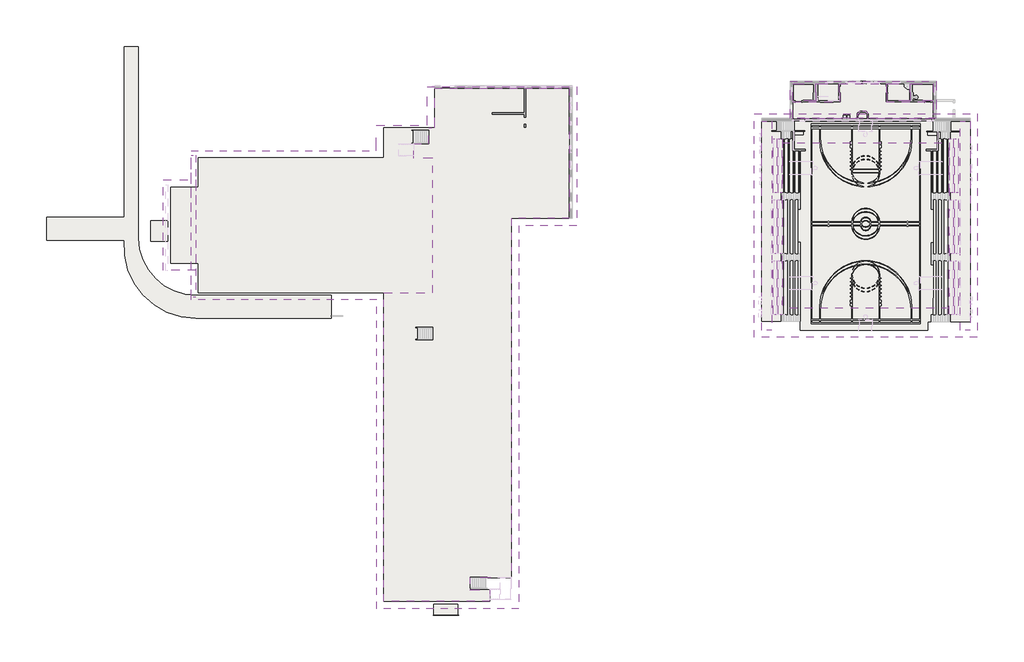
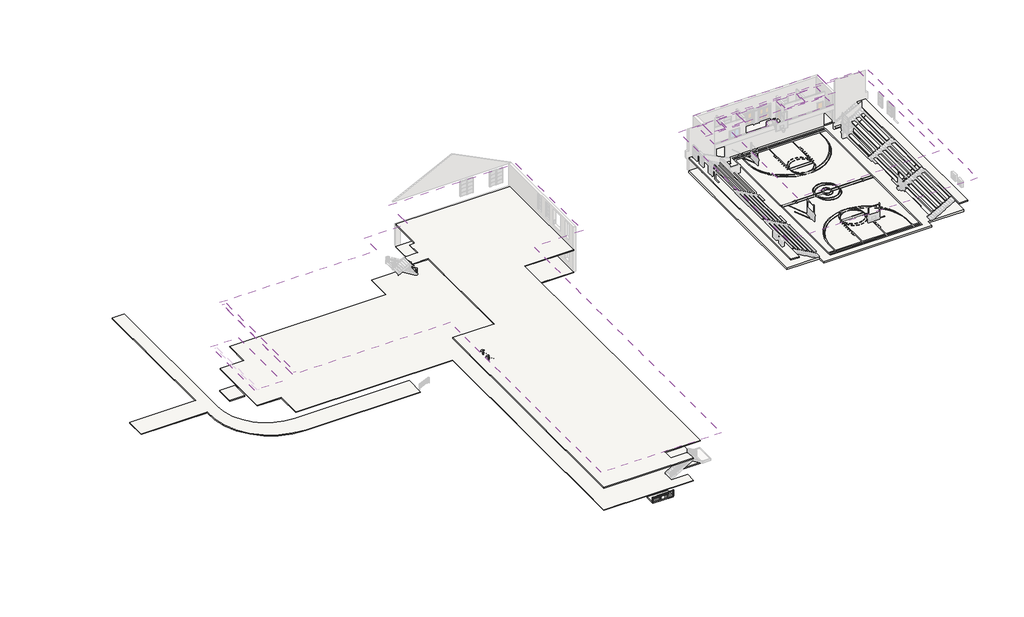
# One storey, part 33 of 38: 44 slabs, 6 roofs, 5 coverings, 1 railing.
"""IFC4 building model written with IfcOpenShell, lengths in millimetres."""

from ifc_helpers import new_model, si_unit, point, frame, frame_2d, origin, origin_with_axes, place, context, project, spatial, polyline, circle_curve, trimmed, segment, composite_curve, outline, extrude, faceted_brep, element, save

model = new_model("IFC4")

# Units and contexts
model_context = context("Model", 3, world=origin())
ifc_project = project(units=[si_unit("LENGTHUNIT", "METRE", prefix="MILLI")], contexts=[model_context])

# Site, building, storey
site = spatial("IfcSite", under=ifc_project)
building = spatial("IfcBuilding", under=site)
storey = spatial("IfcBuildingStorey", under=building, Elevation=0.0)

# Coverings
placement = place(None, origin())
element("IfcCovering", 1, ObjectType="2' x 2' ACT System", at=placement, inside=storey, context=model_context, shape_type="SweptSolid", body=[
    extrude(outline(polyline([(-268837.9698094, 202255.9862425), (-268837.9698094, 204474.39843), (-265882.1385508, 204474.39843), (-265882.1385508, 202255.9862425), (-268837.9698094, 202255.9862425)])), frame((0.0, 0.0, 2844.8), z_axis=(0.0, 0.0, 1.0), x_axis=(1.0, 0.0, 0.0)), (0.0, 0.0, 1.0), 57.15),
])
element("IfcCovering", 2, ObjectType="2' x 2' ACT System", at=placement, inside=storey, context=model_context, shape_type="SweptSolid", body=[
    extrude(outline(polyline([(-265739.2635508, 202255.9862425), (-265739.2635508, 204474.39843), (-262787.3326219, 204474.39843), (-262787.3326219, 202255.9862425), (-265739.2635508, 202255.9862425)])), frame((0.0, 0.0, 2844.8), z_axis=(0.0, 0.0, 1.0), x_axis=(1.0, 0.0, 0.0)), (0.0, 0.0, 1.0), 57.15),
])
element("IfcCovering", 3, ObjectType="2' x 2' ACT System", at=placement, inside=storey, context=model_context, shape_type="SweptSolid", body=[
    extrude(outline(polyline([(-278150.151068, 202255.9862425), (-278150.151068, 204474.39843), (-275194.3198094, 204474.39843), (-275194.3198094, 202255.9862425), (-278150.151068, 202255.9862425)])), frame((0.0, 0.0, 2844.8), z_axis=(0.0, 0.0, 1.0), x_axis=(1.0, 0.0, 0.0)), (0.0, 0.0, 1.0), 57.15),
])
element("IfcCovering", 4, ObjectType="2' x 2' ACT System", at=placement, inside=storey, context=model_context, shape_type="SweptSolid", body=[
    extrude(outline(polyline([(-281244.9569969, 202255.9862425), (-281244.9569969, 204474.39843), (-278293.026068, 204474.39843), (-278293.026068, 202255.9862425), (-281244.9569969, 202255.9862425)])), frame((0.0, 0.0, 2844.8), z_axis=(0.0, 0.0, 1.0), x_axis=(1.0, 0.0, 0.0)), (0.0, 0.0, 1.0), 57.15),
])
element("IfcCovering", 5, ObjectType="2' x 2' ACT System", at=placement, inside=storey, context=model_context, shape_type="SweptSolid", body=[
    extrude(outline(polyline([(-272781.226068, 199887.4362425), (-281244.9569969, 199887.4362425), (-281244.9569969, 202113.1112425), (-275051.4448094, 202113.1112425), (-275051.4448094, 204474.39843), (-268980.8448094, 204474.39843), (-268980.8448094, 202113.1112425), (-262787.3326219, 202113.1112425), (-262787.3326219, 199887.4362425), (-271330.0962129, 199887.4362425), (-271330.0962129, 200575.3411117), (-271641.3510152, 200886.5959139), (-272487.9317779, 200886.5959139), (-272781.226068, 200593.3016239), (-272781.226068, 199887.4362425)])), frame((0.0, 0.0, 2743.2), z_axis=(0.0, 0.0, 1.0), x_axis=(1.0, 0.0, 0.0)), (0.0, 0.0, 1.0), 57.15),
])

# Railing
element("IfcRailing", 6, ObjectType="Handrail - Pipe", at=placement, inside=storey, context=model_context, shape_type="SweptSolid", body=[
    extrude(outline(composite_curve([segment(trimmed(circle_curve(frame_2d((134682.5600981, 895.35)), 19.05), [point((134663.5100981, 895.35))], [point((134701.6100981, 895.35))], False, "CARTESIAN"), True, "CONTINUOUS"), segment(trimmed(circle_curve(frame_2d((134682.5600981, 895.35)), 19.05), [point((134701.6100981, 895.35))], [point((134663.5100981, 895.35))], False, "CARTESIAN"), True, "CONTINUOUS")], self_intersect=False)), frame((-328523.7418555, 0.0, 0.0), z_axis=(1.0, 0.0, 0.0), x_axis=(0.0, 1.0, 0.0)), (0.0, 0.0, 1.0), 3352.8),
    extrude(outline(composite_curve([segment(trimmed(circle_curve(frame_2d((134682.5600981, 749.3)), 12.7), [point((134695.2600981, 749.3))], [point((134669.8600981, 749.3))], False, "CARTESIAN"), True, "CONTINUOUS"), segment(trimmed(circle_curve(frame_2d((134682.5600981, 749.3)), 12.7), [point((134669.8600981, 749.3))], [point((134695.2600981, 749.3))], False, "CARTESIAN"), True, "CONTINUOUS")], self_intersect=False)), frame((-328523.7418555, 0.0, 0.0), z_axis=(1.0, 0.0, 0.0), x_axis=(0.0, 1.0, 0.0)), (0.0, 0.0, 1.0), 3352.8),
    extrude(outline(composite_curve([segment(trimmed(circle_curve(frame_2d((134682.5600981, 596.9)), 12.7), [point((134695.2600981, 596.9))], [point((134669.8600981, 596.9))], False, "CARTESIAN"), True, "CONTINUOUS"), segment(trimmed(circle_curve(frame_2d((134682.5600981, 596.9)), 12.7), [point((134669.8600981, 596.9))], [point((134695.2600981, 596.9))], False, "CARTESIAN"), True, "CONTINUOUS")], self_intersect=False)), frame((-328523.7418555, 0.0, 0.0), z_axis=(1.0, 0.0, 0.0), x_axis=(0.0, 1.0, 0.0)), (0.0, 0.0, 1.0), 3352.8),
    extrude(outline(composite_curve([segment(trimmed(circle_curve(frame_2d((134682.5600981, 444.5)), 12.7), [point((134695.2600981, 444.5))], [point((134669.8600981, 444.5))], False, "CARTESIAN"), True, "CONTINUOUS"), segment(trimmed(circle_curve(frame_2d((134682.5600981, 444.5)), 12.7), [point((134669.8600981, 444.5))], [point((134695.2600981, 444.5))], False, "CARTESIAN"), True, "CONTINUOUS")], self_intersect=False)), frame((-328523.7418555, 0.0, 0.0), z_axis=(1.0, 0.0, 0.0), x_axis=(0.0, 1.0, 0.0)), (0.0, 0.0, 1.0), 3352.8),
    extrude(outline(composite_curve([segment(trimmed(circle_curve(frame_2d((134682.5600981, 292.1)), 12.7), [point((134695.2600981, 292.1))], [point((134669.8600981, 292.1))], False, "CARTESIAN"), True, "CONTINUOUS"), segment(trimmed(circle_curve(frame_2d((134682.5600981, 292.1)), 12.7), [point((134669.8600981, 292.1))], [point((134695.2600981, 292.1))], False, "CARTESIAN"), True, "CONTINUOUS")], self_intersect=False)), frame((-328523.7418555, 0.0, 0.0), z_axis=(1.0, 0.0, 0.0), x_axis=(0.0, 1.0, 0.0)), (0.0, 0.0, 1.0), 3352.8),
    extrude(outline(composite_curve([segment(trimmed(circle_curve(frame_2d((134682.5600981, 139.7)), 12.7), [point((134695.2600981, 139.7))], [point((134669.8600981, 139.7))], False, "CARTESIAN"), True, "CONTINUOUS"), segment(trimmed(circle_curve(frame_2d((134682.5600981, 139.7)), 12.7), [point((134669.8600981, 139.7))], [point((134695.2600981, 139.7))], False, "CARTESIAN"), True, "CONTINUOUS")], self_intersect=False)), frame((-328523.7418555, 0.0, 0.0), z_axis=(1.0, 0.0, 0.0), x_axis=(0.0, 1.0, 0.0)), (0.0, 0.0, 1.0), 3352.8),
    extrude(outline(composite_curve([segment(trimmed(circle_curve(frame_2d((-326085.3418555, 134682.5600981)), 12.7), [point((-326085.3418555, 134695.2600981))], [point((-326085.3418555, 134669.8600981))], False, "CARTESIAN"), True, "CONTINUOUS"), segment(trimmed(circle_curve(frame_2d((-326085.3418555, 134682.5600981)), 12.7), [point((-326085.3418555, 134669.8600981))], [point((-326085.3418555, 134695.2600981))], False, "CARTESIAN"), True, "CONTINUOUS")], self_intersect=False)), origin_with_axes(), (0.0, 0.0, 1.0), 876.3),
    extrude(outline(composite_curve([segment(trimmed(circle_curve(frame_2d((-327304.5418555, 134682.5600981)), 12.7), [point((-327304.5418555, 134695.2600981))], [point((-327304.5418555, 134669.8600981))], False, "CARTESIAN"), True, "CONTINUOUS"), segment(trimmed(circle_curve(frame_2d((-327304.5418555, 134682.5600981)), 12.7), [point((-327304.5418555, 134669.8600981))], [point((-327304.5418555, 134695.2600981))], False, "CARTESIAN"), True, "CONTINUOUS")], self_intersect=False)), origin_with_axes(), (0.0, 0.0, 1.0), 876.3),
    extrude(outline(composite_curve([segment(trimmed(circle_curve(frame_2d((-325183.6418555, 134682.5600981)), 12.7), [point((-325183.6418555, 134695.2600981))], [point((-325183.6418555, 134669.8600981))], False, "CARTESIAN"), True, "CONTINUOUS"), segment(trimmed(circle_curve(frame_2d((-325183.6418555, 134682.5600981)), 12.7), [point((-325183.6418555, 134669.8600981))], [point((-325183.6418555, 134695.2600981))], False, "CARTESIAN"), True, "CONTINUOUS")], self_intersect=False)), origin_with_axes(), (0.0, 0.0, 1.0), 876.3),
    extrude(outline(composite_curve([segment(trimmed(circle_curve(frame_2d((-328511.0418555, 134682.5600981)), 12.7), [point((-328511.0418555, 134695.2600981))], [point((-328511.0418555, 134669.8600981))], False, "CARTESIAN"), True, "CONTINUOUS"), segment(trimmed(circle_curve(frame_2d((-328511.0418555, 134682.5600981)), 12.7), [point((-328511.0418555, 134669.8600981))], [point((-328511.0418555, 134695.2600981))], False, "CARTESIAN"), True, "CONTINUOUS")], self_intersect=False)), origin_with_axes(), (0.0, 0.0, 1.0), 876.3),
])

# Roofs
element("IfcRoof", 7, ObjectType="5\" Concrete", at=placement, inside=storey, context=model_context, shape_type="SweptSolid", body=[
    extrude(outline(polyline([(-281605.5576219, 204834.999055), (-262426.7319969, 204834.999055), (-262426.7319969, 199958.199055), (-281605.5576219, 199958.199055), (-281605.5576219, 204834.999055)])), frame((0.0, 0.0, 4572.0), z_axis=(0.0, 0.0, 1.0), x_axis=(1.0, 0.0, 0.0)), (0.0, 0.0, 1.0), 127.0),
])
element("IfcRoof", 8, ObjectType="Gym Roof", at=placement, inside=storey, context=model_context, shape_type="Brep", body=[
    faceted_brep([(-286322.749102, 171162.5291923, 6102.35), (-286322.749102, 200564.7687991, 6102.35), (-282621.1173133, 196733.986555, 9431.3160208), (-282627.8257998, 196733.986555, 9425.2829184), (-282627.8257998, 175040.8486643, 9425.2829184), (-257007.3322373, 200564.7687991, 6102.35), (-260731.5557863, 196733.986555, 9431.3160208), (-257007.3322373, 171162.5291923, 6102.35), (-260703.5379873, 175018.6600685, 9406.2717936), (-260703.5379873, 196733.986555, 9406.2717936), (-282627.8257998, 174996.3416923, 9387.1494733), (-260703.5379873, 174996.3416923, 9387.1494733), (-286333.0507998, 200567.799055, 6537.1747936), (-286333.0507998, 171162.5291923, 6537.1747936), (-282627.8257998, 175051.6616831, 9869.3722753), (-282627.8257998, 196733.2982321, 9869.3722753), (-256998.3129873, 200567.799055, 6537.1747936), (-282627.8257998, 196733.986555, 9868.7741197), (-260725.4825013, 196733.986555, 9868.7741197), (-256998.3129873, 171162.5291923, 6537.1747936), (-260703.5379873, 196733.986555, 9849.1586104), (-260703.5379873, 175028.0695578, 9849.1586104), (-260703.5379873, 174996.3416923, 9821.9742669), (-282627.8257998, 174996.3416923, 9821.9742669), (-286333.0507998, 171162.5291923, 6102.35), (-256998.3129873, 171162.5291923, 6102.35), (-256998.3129873, 200567.799055, 6102.35), (-286333.0507998, 200567.799055, 6102.35)], [[[0, 1, 2, 3, 4]], [[1, 5, 6, 2]], [[5, 7, 8, 9, 6]], [[7, 0, 4, 10, 11, 8]], [[12, 13, 14, 15]], [[16, 12, 15, 17, 18]], [[19, 16, 18, 20, 21]], [[13, 19, 21, 22, 23, 14]], [[19, 13, 24, 0, 7, 25]], [[16, 19, 25, 26]], [[12, 16, 26, 27]], [[13, 12, 27, 24]], [[1, 0, 24, 27, 26, 25, 7, 5]], [[17, 3, 2, 6, 9, 20, 18]], [[20, 9, 8, 11, 22, 21]], [[22, 11, 10, 23]], [[3, 17, 15, 14, 23, 10, 4]]]),
])
element("IfcRoof", 9, ObjectType="Gym Roof Flat", at=placement, inside=storey, context=model_context, shape_type="SweptSolid", body=[
    extrude(outline(polyline([(-260707.6257998, 175000.4295048), (-282653.2257998, 175000.4295048), (-282653.2257998, 196729.8987425), (-260707.6257998, 196729.8987425), (-260707.6257998, 175000.4295048)])), frame((0.0, 0.0, 9499.6), z_axis=(0.0, 0.0, 1.0), x_axis=(1.0, 0.0, 0.0)), (0.0, 0.0, 1.0), 355.6),
])
element("IfcRoof", 10, ObjectType="Wood Rafter 8\" - Asphalt Shingle - Insulated", at=placement, inside=storey, context=model_context, shape_type="Brep", body=[
    faceted_brep([(-335918.3168555, 135539.8100981, 7010.4), (-326598.1043555, 144860.0225981, 11670.50625), (-317277.8918555, 135539.8100981, 7010.4), (-335918.3168555, 176116.3100981, 7010.4), (-326598.1043555, 185436.5225981, 11670.50625), (-360302.3168555, 176116.3100981, 7010.4), (-360302.3168555, 185922.2975981, 11913.39375), (-327083.8793555, 185922.2975981, 11913.39375), (-360302.3168555, 195728.2850981, 7010.4), (-335965.9418555, 195728.2850981, 7010.4), (-326621.9168555, 186384.2600981, 11682.4125), (-326621.9168555, 195213.9350981, 11682.4125), (-317277.8918555, 185869.9100981, 7010.4), (-335918.3168555, 135539.8100981, 7248.2337803), (-317277.8918555, 135539.8100981, 7248.2337803), (-326598.1043555, 144860.0225981, 11908.3400303), (-335918.3168555, 176116.3100981, 7248.2337803), (-326598.1043555, 185436.5225981, 11908.3400303), (-360302.3168555, 176116.3100981, 7248.2337803), (-327083.8793555, 185922.2975981, 12151.2275303), (-360302.3168555, 185922.2975981, 12151.2275303), (-360302.3168555, 195728.2850981, 7248.2337803), (-326621.9168555, 186384.2600981, 11920.2462803), (-335965.9418555, 195728.2850981, 7248.2337803), (-317277.8918555, 185869.9100981, 7248.2337803), (-326621.9168555, 195213.9350981, 11920.2462803), (-335965.9418555, 199071.5600981, 7248.2337803), (-329260.3418555, 199071.5600981, 10601.0337803), (-322811.9168555, 199071.5600981, 13825.2462803), (-319459.1168555, 199071.5600981, 12148.8462803), (-319696.9506358, 199071.5600981, 12029.9293901), (-322811.9168555, 199071.5600981, 13587.4125), (-329260.3418555, 199071.5600981, 10363.2), (-335965.9418555, 199071.5600981, 7010.4), (-309657.8918555, 185869.9100981, 7010.4), (-322811.9168555, 199023.9350981, 13587.4125), (-319459.1168555, 199071.5600981, 11911.0125), (-319459.1168555, 204076.9475981, 11911.0125), (-309657.8918555, 204076.9475981, 7010.4), (-329260.3418555, 199071.5600981, 7010.4), (-329260.3418555, 204076.9475981, 7010.4), (-309657.8918555, 185869.9100981, 7248.2337803), (-309657.8918555, 204076.9475981, 7248.2337803), (-319459.1168555, 204076.9475981, 12148.8462803), (-322811.9168555, 199023.9350981, 13825.2462803), (-329260.3418555, 204076.9475981, 7248.2337803), (-329260.3418555, 199071.5600981, 7248.2337803)], [[[0, 1, 2]], [[3, 4, 1, 0]], [[5, 6, 7, 4, 3]], [[8, 9, 10, 7, 6]], [[2, 1, 4, 7, 10, 11, 12]], [[13, 14, 15]], [[16, 13, 15, 17]], [[18, 16, 17, 19, 20]], [[21, 20, 19, 22, 23]], [[14, 24, 25, 22, 19, 17, 15]], [[3, 16, 18, 5]], [[0, 13, 16, 3]], [[2, 14, 13, 0]], [[12, 24, 14, 2]], [[8, 21, 23, 9]], [[26, 27, 28, 29, 30, 31, 32, 33]], [[34, 35, 31, 30, 36, 37, 38]], [[32, 31, 35, 11, 10, 9, 33]], [[39, 40, 37, 36]], [[41, 42, 43, 29, 28, 44]], [[27, 26, 23, 22, 25, 44, 28]], [[45, 46, 30, 29, 43]], [[38, 42, 41, 34]], [[39, 46, 45, 40]], [[9, 23, 26, 33]], [[30, 46, 39, 36]], [[45, 43, 42, 38, 37, 40]], [[34, 12, 11, 35]], [[24, 41, 44, 25]], [[34, 41, 24, 12]], [[18, 20, 21, 8, 6, 5]]]),
])
element("IfcRoof", 11, ObjectType="Wood Rafter 8\" - Asphalt Shingle - Insulated", at=placement, inside=storey, context=model_context, shape_type="SweptSolid", body=[
    extrude(outline(polyline([(179997.7475981, 3590.6337803), (185929.4413481, 6556.4806553), (191861.1350981, 3590.6337803), (191861.1350981, 3352.8), (185929.4413481, 6318.646875), (179997.7475981, 3352.8), (179997.7475981, 3590.6337803)])), frame((-363959.9168555, 0.0, 0.0), z_axis=(1.0, 0.0, 0.0), x_axis=(0.0, 1.0, 0.0)), (0.0, 0.0, 1.0), 4267.2),
])
element("IfcRoof", 12, ObjectType="Wood Rafter 8\" - Asphalt Shingle - Insulated", at=placement, inside=storey, context=model_context, shape_type="SweptSolid", body=[
    extrude(outline(polyline([(7553.0337803, -359692.7168555), (7248.2337803, -360302.3168555), (7010.4, -360302.3168555), (7315.2, -359692.7168555), (7553.0337803, -359692.7168555)])), frame((0.0, 176478.2600981, 0.0), z_axis=(0.0, 1.0, 0.0), x_axis=(0.0, 0.0, 1.0)), (0.0, 0.0, 1.0), 18640.425),
])

# Slabs
element("IfcSlab", 13, at=placement, inside=storey, context=model_context, shape_type="SweptSolid", body=[
    extrude(outline(polyline([(-280531.4948094, 195718.6612425), (-280531.4948094, 190199.52983), (-281039.4948094, 190199.52983), (-281039.4948094, 195718.6612425), (-280531.4948094, 195718.6612425)])), frame((0.0, 0.0, 330.2), z_axis=(0.0, 0.0, 1.0), x_axis=(1.0, 0.0, 0.0)), (0.0, 0.0, 1.0), 50.8),
])
element("IfcSlab", 14, at=placement, inside=storey, context=model_context, shape_type="SweptSolid", body=[
    extrude(outline(polyline([(-281236.3448094, 197293.4612425), (-281236.3448094, 190199.52983), (-281744.3448094, 190199.52983), (-281744.3448094, 197293.4612425), (-281236.3448094, 197293.4612425)])), frame((0.0, 0.0, 687.6415621), z_axis=(0.0, 0.0, 1.0), x_axis=(1.0, 0.0, 0.0)), (0.0, 0.0, 1.0), 50.8),
])
element("IfcSlab", 15, at=placement, inside=storey, context=model_context, shape_type="SweptSolid", body=[
    extrude(outline(polyline([(-281941.1948094, 197293.4612425), (-281941.1948094, 190199.52983), (-282449.1948094, 190199.52983), (-282449.1948094, 197293.4612425), (-281941.1948094, 197293.4612425)])), frame((0.0, 0.0, 1045.0831242), z_axis=(0.0, 0.0, 1.0), x_axis=(1.0, 0.0, 0.0)), (0.0, 0.0, 1.0), 50.8),
])
element("IfcSlab", 16, at=placement, inside=storey, context=model_context, shape_type="SweptSolid", body=[
    extrude(outline(polyline([(-282646.0448094, 197293.4612425), (-282646.0448094, 190199.52983), (-283154.0448094, 190199.52983), (-283154.0448094, 197293.4612425), (-282646.0448094, 197293.4612425)])), frame((0.0, 0.0, 1402.5246862), z_axis=(0.0, 0.0, 1.0), x_axis=(1.0, 0.0, 0.0)), (0.0, 0.0, 1.0), 50.8),
])
element("IfcSlab", 17, at=placement, inside=storey, context=model_context, shape_type="SweptSolid", body=[
    extrude(outline(polyline([(-283350.8948094, 197293.4612425), (-283350.8948094, 190199.52983), (-283858.8948094, 190199.52983), (-283858.8948094, 197293.4612425), (-283350.8948094, 197293.4612425)])), frame((0.0, 0.0, 1759.9662483), z_axis=(0.0, 0.0, 1.0), x_axis=(1.0, 0.0, 0.0)), (0.0, 0.0, 1.0), 50.8),
])
element("IfcSlab", 18, at=placement, inside=storey, context=model_context, shape_type="SweptSolid", body=[
    extrude(outline(polyline([(-280531.4948094, 189278.77983), (-280531.4948094, 188049.26108), (-280610.8698094, 188049.26108), (-280610.8698094, 183674.2987425), (-280531.4948094, 183674.2987425), (-280531.4948094, 182184.8484174), (-281039.4948094, 182184.8484174), (-281039.4948094, 189278.77983), (-280531.4948094, 189278.77983)])), frame((0.0, 0.0, 330.2), z_axis=(0.0, 0.0, 1.0), x_axis=(1.0, 0.0, 0.0)), (0.0, 0.0, 1.0), 50.8),
])
element("IfcSlab", 19, at=placement, inside=storey, context=model_context, shape_type="SweptSolid", body=[
    extrude(outline(polyline([(-281236.3448094, 189278.77983), (-281236.3448094, 182184.8484174), (-281744.3448094, 182184.8484174), (-281744.3448094, 189278.77983), (-281236.3448094, 189278.77983)])), frame((0.0, 0.0, 687.6415621), z_axis=(0.0, 0.0, 1.0), x_axis=(1.0, 0.0, 0.0)), (0.0, 0.0, 1.0), 50.8),
])
element("IfcSlab", 20, at=placement, inside=storey, context=model_context, shape_type="SweptSolid", body=[
    extrude(outline(polyline([(-281941.1948094, 189278.77983), (-281941.1948094, 182184.8484174), (-282449.1948094, 182184.8484174), (-282449.1948094, 189278.77983), (-281941.1948094, 189278.77983)])), frame((0.0, 0.0, 1045.0831242), z_axis=(0.0, 0.0, 1.0), x_axis=(1.0, 0.0, 0.0)), (0.0, 0.0, 1.0), 50.8),
])
element("IfcSlab", 21, at=placement, inside=storey, context=model_context, shape_type="SweptSolid", body=[
    extrude(outline(polyline([(-282646.0448094, 189278.77983), (-282646.0448094, 182184.8484174), (-283154.0448094, 182184.8484174), (-283154.0448094, 189278.77983), (-282646.0448094, 189278.77983)])), frame((0.0, 0.0, 1402.5246862), z_axis=(0.0, 0.0, 1.0), x_axis=(1.0, 0.0, 0.0)), (0.0, 0.0, 1.0), 50.8),
])
element("IfcSlab", 22, at=placement, inside=storey, context=model_context, shape_type="SweptSolid", body=[
    extrude(outline(polyline([(-283350.8948094, 189278.77983), (-283350.8948094, 182184.8484174), (-283858.8948094, 182184.8484174), (-283858.8948094, 189278.77983), (-283350.8948094, 189278.77983)])), frame((0.0, 0.0, 1759.9662483), z_axis=(0.0, 0.0, 1.0), x_axis=(1.0, 0.0, 0.0)), (0.0, 0.0, 1.0), 50.8),
])
element("IfcSlab", 23, at=placement, inside=storey, context=model_context, shape_type="SweptSolid", body=[
    extrude(outline(polyline([(-280531.4948094, 181270.4484174), (-280531.4948094, 174176.5170048), (-281039.4948094, 174176.5170048), (-281039.4948094, 181270.4484174), (-280531.4948094, 181270.4484174)])), frame((0.0, 0.0, 330.2), z_axis=(0.0, 0.0, 1.0), x_axis=(1.0, 0.0, 0.0)), (0.0, 0.0, 1.0), 50.8),
])
element("IfcSlab", 24, at=placement, inside=storey, context=model_context, shape_type="SweptSolid", body=[
    extrude(outline(polyline([(-281236.3448094, 181270.4484174), (-281236.3448094, 174176.5170048), (-281744.3448094, 174176.5170048), (-281744.3448094, 181270.4484174), (-281236.3448094, 181270.4484174)])), frame((0.0, 0.0, 687.6415621), z_axis=(0.0, 0.0, 1.0), x_axis=(1.0, 0.0, 0.0)), (0.0, 0.0, 1.0), 50.8),
])
element("IfcSlab", 25, at=placement, inside=storey, context=model_context, shape_type="SweptSolid", body=[
    extrude(outline(polyline([(-281941.1948094, 181270.4484174), (-281941.1948094, 174176.5170048), (-282449.1948094, 174176.5170048), (-282449.1948094, 181270.4484174), (-281941.1948094, 181270.4484174)])), frame((0.0, 0.0, 1045.0831242), z_axis=(0.0, 0.0, 1.0), x_axis=(1.0, 0.0, 0.0)), (0.0, 0.0, 1.0), 50.8),
])
element("IfcSlab", 26, at=placement, inside=storey, context=model_context, shape_type="SweptSolid", body=[
    extrude(outline(polyline([(-282646.0448094, 181270.4484174), (-282646.0448094, 174176.5170048), (-283154.0448094, 174176.5170048), (-283154.0448094, 181270.4484174), (-282646.0448094, 181270.4484174)])), frame((0.0, 0.0, 1402.5246862), z_axis=(0.0, 0.0, 1.0), x_axis=(1.0, 0.0, 0.0)), (0.0, 0.0, 1.0), 50.8),
])
element("IfcSlab", 27, at=placement, inside=storey, context=model_context, shape_type="SweptSolid", body=[
    extrude(outline(polyline([(-283350.8948094, 181270.4484174), (-283350.8948094, 174176.5170048), (-283858.8948094, 174176.5170048), (-283858.8948094, 181270.4484174), (-283350.8948094, 181270.4484174)])), frame((0.0, 0.0, 1759.9662483), z_axis=(0.0, 0.0, 1.0), x_axis=(1.0, 0.0, 0.0)), (0.0, 0.0, 1.0), 50.8),
])
element("IfcSlab", 28, at=placement, inside=storey, context=model_context, shape_type="SweptSolid", body=[
    extrude(outline(polyline([(-262829.3567903, 195718.6612425), (-262321.3567903, 195718.6612425), (-262321.3567903, 190155.07983), (-262829.3567903, 190155.07983), (-262829.3567903, 195718.6612425)])), frame((0.0, 0.0, 330.2), z_axis=(0.0, 0.0, 1.0), x_axis=(1.0, 0.0, 0.0)), (0.0, 0.0, 1.0), 50.8),
])
element("IfcSlab", 29, at=placement, inside=storey, context=model_context, shape_type="SweptSolid", body=[
    extrude(outline(polyline([(-262124.5067903, 197249.0112425), (-261616.5067903, 197249.0112425), (-261616.5067903, 190155.07983), (-262124.5067903, 190155.07983), (-262124.5067903, 197249.0112425)])), frame((0.0, 0.0, 687.6415621), z_axis=(0.0, 0.0, 1.0), x_axis=(1.0, 0.0, 0.0)), (0.0, 0.0, 1.0), 50.8),
])
element("IfcSlab", 30, at=placement, inside=storey, context=model_context, shape_type="SweptSolid", body=[
    extrude(outline(polyline([(-261419.6567903, 197249.0112425), (-260911.6567903, 197249.0112425), (-260911.6567903, 190155.07983), (-261419.6567903, 190155.07983), (-261419.6567903, 197249.0112425)])), frame((0.0, 0.0, 1045.0831242), z_axis=(0.0, 0.0, 1.0), x_axis=(1.0, 0.0, 0.0)), (0.0, 0.0, 1.0), 50.8),
])
element("IfcSlab", 31, at=placement, inside=storey, context=model_context, shape_type="SweptSolid", body=[
    extrude(outline(polyline([(-260714.8067903, 197249.0112425), (-260206.8067903, 197249.0112425), (-260206.8067903, 190155.07983), (-260714.8067903, 190155.07983), (-260714.8067903, 197249.0112425)])), frame((0.0, 0.0, 1402.5246862), z_axis=(0.0, 0.0, 1.0), x_axis=(1.0, 0.0, 0.0)), (0.0, 0.0, 1.0), 50.8),
])
element("IfcSlab", 32, at=placement, inside=storey, context=model_context, shape_type="SweptSolid", body=[
    extrude(outline(polyline([(-260009.9567903, 197249.0112425), (-259501.9567903, 197249.0112425), (-259501.9567903, 190155.07983), (-260009.9567903, 190155.07983), (-260009.9567903, 197249.0112425)])), frame((0.0, 0.0, 1759.9662483), z_axis=(0.0, 0.0, 1.0), x_axis=(1.0, 0.0, 0.0)), (0.0, 0.0, 1.0), 50.8),
])
element("IfcSlab", 33, at=placement, inside=storey, context=model_context, shape_type="SweptSolid", body=[
    extrude(outline(polyline([(-262829.3567903, 189234.32983), (-262321.3567903, 189234.32983), (-262321.3567903, 182140.3984174), (-262843.6442903, 182140.3984174), (-262843.6442903, 183629.8487425), (-262764.2692903, 183629.8487425), (-262764.2692903, 188004.81108), (-262829.3567903, 188004.81108), (-262829.3567903, 189234.32983)])), frame((0.0, 0.0, 330.2), z_axis=(0.0, 0.0, 1.0), x_axis=(1.0, 0.0, 0.0)), (0.0, 0.0, 1.0), 50.8),
])
element("IfcSlab", 34, at=placement, inside=storey, context=model_context, shape_type="SweptSolid", body=[
    extrude(outline(polyline([(-262124.5067903, 189234.32983), (-261616.5067903, 189234.32983), (-261616.5067903, 182140.3984174), (-262124.5067903, 182140.3984174), (-262124.5067903, 189234.32983)])), frame((0.0, 0.0, 687.6415621), z_axis=(0.0, 0.0, 1.0), x_axis=(1.0, 0.0, 0.0)), (0.0, 0.0, 1.0), 50.8),
])
element("IfcSlab", 35, at=placement, inside=storey, context=model_context, shape_type="SweptSolid", body=[
    extrude(outline(polyline([(-261419.6567903, 189234.32983), (-260911.6567903, 189234.32983), (-260911.6567903, 182140.3984174), (-261419.6567903, 182140.3984174), (-261419.6567903, 189234.32983)])), frame((0.0, 0.0, 1045.0831242), z_axis=(0.0, 0.0, 1.0), x_axis=(1.0, 0.0, 0.0)), (0.0, 0.0, 1.0), 50.8),
])
element("IfcSlab", 36, at=placement, inside=storey, context=model_context, shape_type="SweptSolid", body=[
    extrude(outline(polyline([(-260714.8067903, 189234.32983), (-260206.8067903, 189234.32983), (-260206.8067903, 182140.3984174), (-260714.8067903, 182140.3984174), (-260714.8067903, 189234.32983)])), frame((0.0, 0.0, 1402.5246862), z_axis=(0.0, 0.0, 1.0), x_axis=(1.0, 0.0, 0.0)), (0.0, 0.0, 1.0), 50.8),
])
element("IfcSlab", 37, at=placement, inside=storey, context=model_context, shape_type="SweptSolid", body=[
    extrude(outline(polyline([(-260009.9567903, 189234.32983), (-259501.9567903, 189234.32983), (-259501.9567903, 182140.3984174), (-260009.9567903, 182140.3984174), (-260009.9567903, 189234.32983)])), frame((0.0, 0.0, 1759.9662483), z_axis=(0.0, 0.0, 1.0), x_axis=(1.0, 0.0, 0.0)), (0.0, 0.0, 1.0), 50.8),
])
element("IfcSlab", 38, at=placement, inside=storey, context=model_context, shape_type="SweptSolid", body=[
    extrude(outline(polyline([(-262829.3567903, 181225.9984174), (-262321.3567903, 181225.9984174), (-262321.3567903, 174132.0670048), (-262829.3567903, 174132.0670048), (-262829.3567903, 176325.7612425), (-262749.9817903, 176325.7612425), (-262749.9817903, 180700.5359174), (-262829.3567903, 180700.5359174), (-262829.3567903, 181225.9984174)])), frame((0.0, 0.0, 330.2), z_axis=(0.0, 0.0, 1.0), x_axis=(1.0, 0.0, 0.0)), (0.0, 0.0, 1.0), 50.8),
])
element("IfcSlab", 39, at=placement, inside=storey, context=model_context, shape_type="SweptSolid", body=[
    extrude(outline(polyline([(-262124.5067903, 181225.9984174), (-261616.5067903, 181225.9984174), (-261616.5067903, 174132.0670048), (-262124.5067903, 174132.0670048), (-262124.5067903, 181225.9984174)])), frame((0.0, 0.0, 687.6415621), z_axis=(0.0, 0.0, 1.0), x_axis=(1.0, 0.0, 0.0)), (0.0, 0.0, 1.0), 50.8),
])
element("IfcSlab", 40, at=placement, inside=storey, context=model_context, shape_type="SweptSolid", body=[
    extrude(outline(polyline([(-261419.6567903, 181225.9984174), (-260911.6567903, 181225.9984174), (-260911.6567903, 174132.0670048), (-261419.6567903, 174132.0670048), (-261419.6567903, 181225.9984174)])), frame((0.0, 0.0, 1045.0831242), z_axis=(0.0, 0.0, 1.0), x_axis=(1.0, 0.0, 0.0)), (0.0, 0.0, 1.0), 50.8),
])
element("IfcSlab", 41, at=placement, inside=storey, context=model_context, shape_type="SweptSolid", body=[
    extrude(outline(polyline([(-260714.8067903, 181225.9984174), (-260206.8067903, 181225.9984174), (-260206.8067903, 174132.0670048), (-260714.8067903, 174132.0670048), (-260714.8067903, 181225.9984174)])), frame((0.0, 0.0, 1402.5246862), z_axis=(0.0, 0.0, 1.0), x_axis=(1.0, 0.0, 0.0)), (0.0, 0.0, 1.0), 50.8),
])
element("IfcSlab", 42, at=placement, inside=storey, context=model_context, shape_type="SweptSolid", body=[
    extrude(outline(polyline([(-260009.9567903, 181225.9984174), (-259501.9567903, 181225.9984174), (-259501.9567903, 174132.0670048), (-260009.9567903, 174132.0670048), (-260009.9567903, 181225.9984174)])), frame((0.0, 0.0, 1759.9662483), z_axis=(0.0, 0.0, 1.0), x_axis=(1.0, 0.0, 0.0)), (0.0, 0.0, 1.0), 50.8),
])
element("IfcSlab", 43, at=placement, inside=storey, context=model_context, shape_type="SweptSolid", body=[
    extrude(outline(polyline([(-281244.9569969, 199903.3112425), (-281244.9569969, 202113.0072865), (-275048.2698094, 202113.0072865), (-275048.2698094, 203332.2072865), (-275194.3198094, 203332.2072865), (-275194.3198094, 202255.9862425), (-277975.526068, 202255.9862425), (-277975.526068, 204474.39843), (-275194.3198094, 204474.39843), (-275194.3198094, 204146.6987425), (-275051.4448094, 204146.6987425), (-275051.4448094, 204474.39843), (-274310.0823094, 204474.39843), (-274310.0823094, 204663.549055), (-274243.4073094, 204663.549055), (-274243.4073094, 204730.8987425), (-272490.8073094, 204730.8987425), (-272490.8073094, 204654.6987425), (-272440.0073094, 204654.6987425), (-272440.0073094, 204587.349055), (-271601.8073094, 204587.349055), (-271601.8073094, 204663.549055), (-271551.0073094, 204663.549055), (-271551.0073094, 204733.399055), (-269773.0073094, 204733.399055), (-269773.0073094, 204663.549055), (-269722.2073094, 204663.549055), (-269722.2073094, 204474.39843), (-268980.8448094, 204474.39843), (-268980.8448094, 204146.6987425), (-268837.9698094, 204146.6987425), (-268837.9698094, 203333.8987425), (-268980.8448094, 203333.8987425), (-268980.8448094, 202113.1112425), (-262787.3326219, 202113.1112425), (-262787.3326219, 199903.3112425), (-262910.2448094, 199903.3112425), (-262910.2448094, 199601.6862425), (-264434.2448094, 199601.6862425), (-264434.2448094, 199903.3112425), (-271337.8995807, 199903.3112425), (-271337.8995807, 200589.1112425), (-271643.2282888, 200894.4399507), (-272481.4282888, 200894.4399507), (-272786.7569969, 200589.1112425), (-272786.7569969, 199903.3112425), (-279598.0448094, 199903.3112425), (-279598.0448094, 199601.6862425), (-281122.0448094, 199601.6862425), (-281122.0448094, 199903.3112425), (-281244.9569969, 199903.3112425)])), frame((0.0, 0.0, -6.35), z_axis=(0.0, 0.0, 1.0), x_axis=(1.0, 0.0, 0.0)), (0.0, 0.0, 1.0), 6.35),
])
element("IfcSlab", 44, at=placement, inside=storey, context=model_context, shape_type="SweptSolid", body=[
    extrude(outline(polyline([(-280547.3155418, 195914.3206175), (-280547.3155418, 197260.5206175), (-280267.9155418, 197260.5206175), (-280267.9155418, 195914.3206175), (-280547.3155418, 195914.3206175)])), frame((0.0, 0.0, -3163.9867187), z_axis=(0.0, 0.0, 1.0), x_axis=(1.0, 0.0, 0.0)), (0.0, 0.0, 1.0), 50.8),
])
element("IfcSlab", 45, at=placement, inside=storey, context=model_context, shape_type="SweptSolid", body=[
    extrude(outline(polyline([(-281252.2198094, 197293.4612425), (-281516.4345104, 197293.4612425), (-281516.4345104, 198252.3112425), (-281252.2198094, 198252.3112425), (-281252.2198094, 197293.4612425)])), frame((0.0, 0.0, 687.6851563), z_axis=(0.0, 0.0, 1.0), x_axis=(1.0, 0.0, 0.0)), (0.0, 0.0, 1.0), 50.8),
])
element("IfcSlab", 46, at=placement, inside=storey, context=model_context, shape_type="SweptSolid", body=[
    extrude(outline(polyline([(-262292.7817903, 198207.8612425), (-262292.7817903, 197750.6612425), (-263511.9817903, 197750.6612425), (-263511.9817903, 198207.8612425), (-262292.7817903, 198207.8612425)])), frame((0.0, 0.0, 406.4), z_axis=(0.0, 0.0, 1.0), x_axis=(1.0, 0.0, 0.0)), (0.0, 0.0, 1.0), 50.8),
])
element("IfcSlab", 47, ObjectType="3\" LW Concrete on 2\" Metal Deck", at=placement, inside=storey, context=model_context, shape_type="SweptSolid", body=[
    extrude(outline(polyline([(-334972.1668555, 136485.9600981), (-334972.1668555, 177062.4600981), (-328571.3668555, 177062.4600981), (-328571.3668555, 194740.8600981), (-331076.6422848, 194740.8600981), (-331076.6422848, 196636.3350981), (-329120.8422848, 196636.3350981), (-329120.8422848, 198735.0100981), (-328314.1918555, 198735.0100981), (-328314.1918555, 203916.6100981), (-310604.0418555, 203916.6100981), (-310604.0418555, 186816.0600981), (-318224.0418555, 186816.0600981), (-318224.0418555, 139587.9350981), (-323710.4418555, 139587.9350981), (-323710.4418555, 138038.5350981), (-321094.2418555, 138038.5350981), (-321094.2418555, 136485.9600981), (-334972.1668555, 136485.9600981)])), frame((0.0, 0.0, 3530.6), z_axis=(0.0, 0.0, 1.0), x_axis=(1.0, 0.0, 0.0)), (0.0, 0.0, 1.0), 127.0),
])
element("IfcSlab", 48, ObjectType="3\" LW Concrete on 2\" Metal Deck", at=placement, inside=storey, context=model_context, shape_type="Brep", body=[
    faceted_brep([(-334972.1668555, 136485.9600981, -127.0), (-334972.1668555, 177062.4600981, -127.0), (-359356.1668555, 177062.4600981, -127.0), (-359356.1668555, 180943.8975981, -127.0), (-363013.7668555, 180943.8975981, -127.0), (-363013.7668555, 190914.9850981, -127.0), (-359743.5168555, 190914.9850981, -127.0), (-359356.1668555, 190914.9850981, -127.0), (-359356.1668555, 194782.1350981, -127.0), (-359289.4918555, 194782.1350981, -127.0), (-335019.7918555, 194782.1350981, -127.0), (-335019.7918555, 198735.0100981, -127.0), (-328314.1918555, 198735.0100981, -127.0), (-328314.1918555, 203916.6100981, -127.0), (-310604.0418555, 203916.6100981, -127.0), (-310604.0418555, 186816.0600981, -127.0), (-318224.0418555, 186816.0600981, -127.0), (-318224.0418555, 139587.9350981, -127.0), (-323615.1918555, 139587.9350981, -127.0), (-323615.1918555, 138051.2350981, -127.0), (-321075.1918555, 138051.2350981, -127.0), (-321075.1918555, 136485.9600981, -127.0), (-334972.1668555, 136485.9600981, 0.0), (-321075.1918555, 136485.9600981, 0.0), (-321075.1918555, 138051.2350981, 0.0), (-323615.1918555, 138051.2350981, 0.0), (-323615.1918555, 139587.9350981, 0.0), (-318224.0418555, 139587.9350981, 0.0), (-318224.0418555, 186816.0600981, 0.0), (-310604.0418555, 186816.0600981, 0.0), (-310604.0418555, 203916.6100981, 0.0), (-328314.1918555, 203916.6100981, 0.0), (-328314.1918555, 198735.0100981, 0.0), (-335019.7918555, 198735.0100981, 0.0), (-335019.7918555, 194782.1350981, 0.0), (-359289.4918555, 194782.1350981, 0.0), (-359356.1668555, 194782.1350981, 0.0), (-359356.1668555, 190914.9850981, 0.0), (-359743.5168555, 190914.9850981, 0.0), (-363013.7668555, 190914.9850981, 0.0), (-363013.7668555, 180943.8975981, 0.0), (-359356.1668555, 180943.8975981, 0.0), (-359356.1668555, 177062.4600981, 0.0), (-334972.1668555, 177062.4600981, 0.0)], [[[0, 1, 2, 3, 4, 5, 6, 7, 8, 9, 10, 11, 12, 13, 14, 15, 16, 17, 18, 19, 20, 21]], [[22, 23, 24, 25, 26, 27, 28, 29, 30, 31, 32, 33, 34, 35, 36, 37, 38, 39, 40, 41, 42, 43]], [[1, 0, 22, 43]], [[2, 1, 43, 42]], [[3, 2, 42, 41]], [[4, 3, 41, 40]], [[5, 4, 40, 39]], [[7, 6, 5, 39, 38, 37]], [[8, 7, 37, 36]], [[10, 9, 8, 36, 35, 34]], [[11, 10, 34, 33]], [[12, 11, 33, 32]], [[13, 12, 32, 31]], [[14, 13, 31, 30]], [[15, 14, 30, 29]], [[16, 15, 29, 28]], [[17, 16, 28, 27]], [[0, 21, 23, 22]], [[18, 17, 27, 26]], [[19, 18, 26, 25]], [[20, 19, 25, 24]], [[21, 20, 24, 23]]]),
])
element("IfcSlab", 49, ObjectType="6\" Foundation Slab", at=placement, inside=storey, context=model_context, shape_type="SweptSolid", body=[
    extrude(outline(polyline([(-285362.8501748, 199597.59843), (-284056.4345104, 199597.59843), (-284056.4345104, 172132.7298173), (-285362.8501748, 172132.7298173), (-285362.8501748, 199597.59843)])), frame((0.0, 0.0, 1981.2), z_axis=(0.0, 0.0, 1.0), x_axis=(1.0, 0.0, 0.0)), (0.0, 0.0, 1.0), 152.4),
])
element("IfcSlab", 50, ObjectType="6\" Foundation Slab", at=placement, inside=storey, context=model_context, shape_type="SweptSolid", body=[
    extrude(outline(polyline([(-257968.5136123, 199597.59843), (-257968.5136123, 172132.7298173), (-259285.2257998, 172132.7298173), (-259285.2257998, 199597.59843), (-257968.5136123, 199597.59843)])), frame((0.0, 0.0, 2057.4), z_axis=(0.0, 0.0, 1.0), x_axis=(1.0, 0.0, 0.0)), (0.0, 0.0, 1.0), 152.4),
])
element("IfcSlab", 51, ObjectType="6\" Foundation Slab", at=placement, inside=storey, context=model_context, shape_type="SweptSolid", body=[
    extrude(outline(polyline([(-363350.3168555, 186530.3100981), (-363350.3168555, 183787.1100981), (-365639.4918555, 183787.1100981), (-365639.4918555, 186530.3100981), (-363350.3168555, 186530.3100981)])), frame((0.0, 0.0, -152.4), z_axis=(0.0, 0.0, 1.0), x_axis=(1.0, 0.0, 0.0)), (0.0, 0.0, 1.0), 152.4),
])
element("IfcSlab", 52, ObjectType="6\" Foundation Slab", at=placement, inside=storey, context=model_context, shape_type="SweptSolid", body=[
    extrude(outline(composite_curve([segment(polyline([(-359692.7168555, 176725.9100981), (-341912.3540228, 176725.9100981), (-341912.3540228, 173704.8975981), (-359692.7168555, 173704.8975981)]), True, "CONTINUOUS"), segment(trimmed(circle_curve(frame_2d((-359692.7168555, 183140.0073497)), 9435.1097516), [point((-359692.7168555, 173704.8975981))], [point((-369093.8918555, 183939.5100981))], False, "CARTESIAN"), True, "CONTINUOUS"), segment(polyline([(-369093.8918555, 183939.5100981), (-379304.6918555, 183939.5100981), (-379304.6918555, 186987.5100981), (-369093.8918555, 186987.5100981), (-369093.8918555, 209390.3100981), (-367273.6207192, 209390.3100981), (-367273.6207192, 184231.7349477)]), True, "CONTINUOUS"), segment(trimmed(circle_curve(frame_2d((-359692.7168555, 184307.1894608)), 7581.2793626), [point((-367273.6207192, 184231.7349477))], [point((-359692.7168555, 176725.9100981))], True, "CARTESIAN"), True, "CONTINUOUS")], self_intersect=False)), frame((0.0, 0.0, -914.4), z_axis=(0.0, 0.0, 1.0), x_axis=(1.0, 0.0, 0.0)), (0.0, 0.0, 1.0), 152.4),
])
element("IfcSlab", 53, ObjectType="6\" Foundation Slab", at=placement, inside=storey, context=model_context, shape_type="SweptSolid", body=[
    extrude(outline(polyline([(-325282.0668555, 136149.4100981), (-325282.0668555, 134663.5100981), (-328422.1418555, 134663.5100981), (-328422.1418555, 136149.4100981), (-325282.0668555, 136149.4100981)])), frame((0.0, 0.0, -152.4), z_axis=(0.0, 0.0, 1.0), x_axis=(1.0, 0.0, 0.0)), (0.0, 0.0, 1.0), 152.4),
])
element("IfcSlab", 54, ObjectType="8\" Concrete", at=placement, inside=storey, context=model_context, shape_type="SweptSolid", body=[
    extrude(outline(polyline([(-262426.7319969, 204834.999055), (-262426.7319969, 199887.4362425), (-281605.5576219, 199887.4362425), (-281605.5576219, 204834.999055), (-262426.7319969, 204834.999055)])), frame((0.0, 0.0, -203.2), z_axis=(0.0, 0.0, 1.0), x_axis=(1.0, 0.0, 0.0)), (0.0, 0.0, 1.0), 203.2),
])
element("IfcSlab", 55, ObjectType="Junior High Gym Floor", at=placement, inside=storey, context=model_context, shape_type="SweptSolid", body=[
    extrude(outline(polyline([(-285362.8501748, 199597.59843), (-257968.5136123, 199597.59843), (-257968.5136123, 173230.3670048), (-263501.6257998, 173230.3670048), (-263501.6257998, 172132.7298173), (-280283.8448094, 172132.7298173), (-280283.8448094, 173268.4670048), (-285362.8501748, 173268.4670048), (-285362.8501748, 199597.59843)])), frame((0.0, 0.0, -269.875), z_axis=(0.0, 0.0, 1.0), x_axis=(1.0, 0.0, 0.0)), (0.0, 0.0, 1.0), 269.875),
])
element("IfcSlab", 56, ObjectType="Wood Bench", at=placement, inside=storey, context=model_context, shape_type="SweptSolid", body=[
    extrude(outline(polyline([(-279858.3948094, 198252.3112425), (-279858.3948094, 197795.1112425), (-281077.5948094, 197795.1112425), (-281077.5948094, 198252.3112425), (-279858.3948094, 198252.3112425)])), frame((0.0, 0.0, 368.3), z_axis=(0.0, 0.0, 1.0), x_axis=(1.0, 0.0, 0.0)), (0.0, 0.0, 1.0), 88.9),
])

save(model, "model.ifc")
